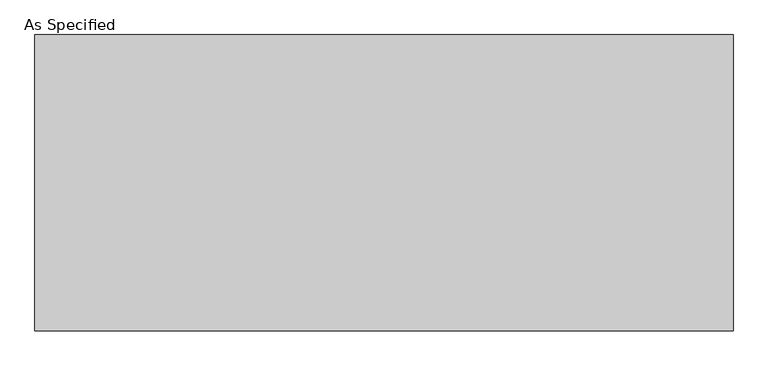
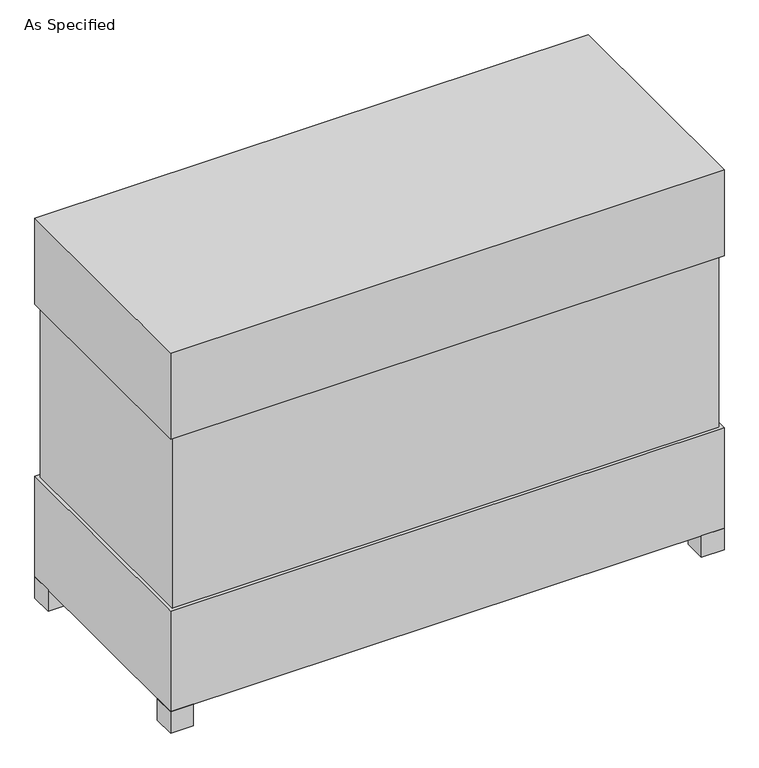
"""IFC4 building model written with IfcOpenShell, lengths in millimetres: proxy geometry, As Specified."""

import ifcopenshell
import ifcopenshell.guid

model = None  # the IFC model being written
_history = None  # IfcOwnerHistory: only IFC2X3 demands one
_inside = {}  # id of a spatial element -> (the spatial element, [elements in it])
_under = {}  # id of a project, library or spatial element -> (it, [spatial elements below it])
_declared = {}  # id of a project -> (the project, [libraries it declares])
_typed = {}  # id of a type object -> (the type object, [elements of that type])
_made_of = {}  # id of a material, layer set ... -> (it, [elements and type objects made of it])


def new_model(schema):
    """Start an empty IFC model of exactly this schema.

    Asked for "IFC4X3", IfcOpenShell would pick the latest addendum, in which some entities
    have other attributes; the version numbers below select the first issue.
    IFC2X3 requires an IfcOwnerHistory on every rooted entity: one is made here for all.
    """
    global model, _history
    if schema == "IFC4X3":
        model = ifcopenshell.file(schema_version=(4, 3, 0, 0))
    else:
        model = ifcopenshell.file(schema=schema)
    _inside.clear()
    _under.clear()
    _declared.clear()
    _typed.clear()
    _made_of.clear()
    _history = None
    if model.schema == "IFC2X3":
        org = make("IfcOrganization", Name="unknown")
        user = make(
            "IfcPersonAndOrganization",
            ThePerson=make("IfcPerson", FamilyName="unknown"),
            TheOrganization=org,
        )
        app = make(
            "IfcApplication",
            ApplicationDeveloper=org,
            Version="unknown",
            ApplicationFullName="unknown",
            ApplicationIdentifier="unknown",
        )
        _history = make(
            "IfcOwnerHistory",
            OwningUser=user,
            OwningApplication=app,
            ChangeAction="ADDED",
            CreationDate=0,
        )
    return model


def make(cls, **values):
    """One entity of the class cls with the attributes given. An attribute that is None is left unset."""
    return model.create_entity(
        cls, **{name: value for name, value in values.items() if value is not None}
    )


def rooted(cls, **values):
    """An entity with a GlobalId (a new one), such as an element, a storey or a relation."""
    return make(cls, GlobalId=ifcopenshell.guid.new(), OwnerHistory=_history, **values)


def si_unit(unit_type, name, prefix=None):
    """IfcSIUnit, for example si_unit("LENGTHUNIT", "METRE", prefix="MILLI")."""
    return make("IfcSIUnit", UnitType=unit_type, Prefix=prefix, Name=name)


def assignment(units):
    """IfcUnitAssignment: the units of a project."""
    return None if units is None else make("IfcUnitAssignment", Units=units)


def point(xyz):
    """IfcCartesianPoint."""
    return None if xyz is None else make("IfcCartesianPoint", Coordinates=xyz)


def direction(xyz):
    """IfcDirection."""
    return None if xyz is None else make("IfcDirection", DirectionRatios=xyz)


def frame(location, z_axis=None, x_axis=None):
    """IfcAxis2Placement3D, a coordinate frame: its origin and axes. An axis left out is left unset."""
    return make(
        "IfcAxis2Placement3D",
        Location=point(location),
        Axis=direction(z_axis),
        RefDirection=direction(x_axis),
    )


def origin():
    """The frame at (0, 0, 0) with its axes left unset."""
    return frame((0.0, 0.0, 0.0))


def origin_with_axes():
    """The frame at (0, 0, 0) with the z axis (0, 0, 1) and the x axis (1, 0, 0) written out."""
    return frame((0.0, 0.0, 0.0), z_axis=(0.0, 0.0, 1.0), x_axis=(1.0, 0.0, 0.0))


def place(relative_to, where):
    """IfcLocalPlacement: puts the frame where relative to a parent placement (None: the world)."""
    return make(
        "IfcLocalPlacement", PlacementRelTo=relative_to, RelativePlacement=where
    )


def context(
    kind, dimensions, precision=None, world=None, true_north=None, identifier=None
):
    """IfcGeometricRepresentationContext, for example the 3D "Model" context."""
    return make(
        "IfcGeometricRepresentationContext",
        ContextIdentifier=identifier,
        ContextType=kind,
        CoordinateSpaceDimension=dimensions,
        Precision=precision,
        WorldCoordinateSystem=world,
        TrueNorth=true_north,
    )


def project(units=None, contexts=None):
    """IfcProject with its units and contexts."""
    return rooted(
        "IfcProject",
        Name="project",
        RepresentationContexts=contexts,
        UnitsInContext=assignment(units),
    )


def spatial(cls, under=None, at=None, **own):
    """A site, building, storey or space (cls), placed at a placement, below another one or the project."""
    s = rooted(cls, ObjectPlacement=at, **own)
    if under is not None:
        _under.setdefault(under.id(), (under, []))[1].append(s)
    return s


def polyline(points):
    """IfcPolyline through the points."""
    return make("IfcPolyline", Points=[point(p) for p in points])


def outline(outer, holes=None, kind="AREA"):
    """IfcArbitraryClosedProfileDef: a profile drawn as a closed curve; with holes, ...WithVoids."""
    if holes is None:
        return make("IfcArbitraryClosedProfileDef", ProfileType=kind, OuterCurve=outer)
    return make(
        "IfcArbitraryProfileDefWithVoids",
        ProfileType=kind,
        OuterCurve=outer,
        InnerCurves=holes,
    )


def extrude(swept, where, along, depth):
    """IfcExtrudedAreaSolid: the profile swept, set in the frame where, extruded along a direction by depth."""
    return make(
        "IfcExtrudedAreaSolid",
        SweptArea=swept,
        Position=where,
        ExtrudedDirection=direction(along),
        Depth=depth,
    )


def shape(context_of_items, identifier, shape_type, items):
    """IfcShapeRepresentation: the items that make up one representation, for example the "Body"."""
    return make(
        "IfcShapeRepresentation",
        ContextOfItems=context_of_items,
        RepresentationIdentifier=identifier,
        RepresentationType=shape_type,
        Items=items,
    )


def source(mapping_origin, context_of_items, identifier, shape_type, items):
    """IfcRepresentationMap: a shape defined once, which mapped items show again and again."""
    return make(
        "IfcRepresentationMap",
        MappingOrigin=mapping_origin,
        MappedRepresentation=shape(context_of_items, identifier, shape_type, items),
    )


def transform(
    local_origin,
    x_axis=None,
    y_axis=None,
    z_axis=None,
    scale=None,
    scale2=None,
    scale3=None,
    uniform=True,
):
    """IfcCartesianTransformationOperator3D, or its non-uniform kind. x_axis, y_axis, z_axis: its Axis1, 2, 3."""
    if uniform:
        return make(
            "IfcCartesianTransformationOperator3D",
            Axis1=direction(x_axis),
            Axis2=direction(y_axis),
            LocalOrigin=point(local_origin),
            Scale=scale,
            Axis3=direction(z_axis),
        )
    return make(
        "IfcCartesianTransformationOperator3DnonUniform",
        Axis1=direction(x_axis),
        Axis2=direction(y_axis),
        LocalOrigin=point(local_origin),
        Scale=scale,
        Axis3=direction(z_axis),
        Scale2=scale2,
        Scale3=scale3,
    )


def mapped(mapping_source, mapping_target):
    """IfcMappedItem: shows the shape of a source again, moved by a transform."""
    return make(
        "IfcMappedItem", MappingSource=mapping_source, MappingTarget=mapping_target
    )


def made_of(thing, what):
    """Note that an element or type object is made of a material, layer set ...; save() writes the relation."""
    if what is not None:
        _made_of.setdefault(what.id(), (what, []))[1].append(thing)
    return thing


def element(
    cls,
    number,
    at=None,
    inside=None,
    cuts=None,
    type_object=None,
    material=None,
    context=None,
    identifier="Body",
    shape_type=None,
    held_by="IfcProductDefinitionShape",
    body=None,
    shapes=None,
    **own,
):
    """One element of the class cls, such as IfcWall. Its Tag is "e" and its number.

    at: its placement. inside: the storey or other place that contains it. cuts: it is an
    opening in that element (IfcRelVoidsElement). A single representation is given by context,
    identifier, shape_type and body (its items); several are given by shapes. held_by: the class
    of the entity that holds the representations. save() writes the other relations.
    """
    e = rooted(cls, Tag="e%d" % number, ObjectPlacement=at, **own)
    if body is not None:
        shapes = [shape(context, identifier, shape_type, body)]
    if shapes is not None:
        e.Representation = make(held_by, Representations=shapes)
    if inside is not None:
        _inside.setdefault(inside.id(), (inside, []))[1].append(e)
    if cuts is not None:
        rooted(
            "IfcRelVoidsElement", RelatingBuildingElement=cuts, RelatedOpeningElement=e
        )
    if type_object is not None:
        _typed.setdefault(type_object.id(), (type_object, []))[1].append(e)
    return made_of(e, material)


def aggregate(whole, parts):
    """IfcRelAggregates: a whole, such as a stair, and the parts it consists of."""
    return rooted("IfcRelAggregates", RelatingObject=whole, RelatedObjects=parts)


def save(model, path):
    """Write the relations noted so far, then the file.

    IfcRelAggregates (storeys below a building ...), IfcRelContainedInSpatialStructure (elements
    in a storey), IfcRelDefinesByType, IfcRelAssociatesMaterial and IfcRelDeclares: one each for
    every whole, place, type object, material and project.
    """
    for whole, parts in _under.values():
        aggregate(whole, parts)
    for where, things in _inside.values():
        rooted(
            "IfcRelContainedInSpatialStructure",
            RelatedElements=things,
            RelatingStructure=where,
        )
    for kind, things in _typed.values():
        rooted("IfcRelDefinesByType", RelatedObjects=things, RelatingType=kind)
    for what, things in _made_of.values():
        rooted("IfcRelAssociatesMaterial", RelatedObjects=things, RelatingMaterial=what)
    for by, libraries in _declared.values():
        rooted("IfcRelDeclares", RelatingContext=by, RelatedDefinitions=libraries)
    model.write(path)


def as_specified_0e8a52d9(model_context):
    return source(origin(), model_context, "Body", "SweptSolid", [
        extrude(outline(polyline([(812.8, 228.6), (812.8, 152.4), (736.6, 152.4), (736.6, 228.6), (812.8, 228.6)])), frame((0.0, 0.0, 50.8), z_axis=(0.0, 0.0, 1.0), x_axis=(1.0, 0.0, 0.0)), (0.0, 0.0, 1.0), 25.4),
        extrude(outline(polyline([(812.8, -228.6), (736.6, -228.6), (736.6, -152.4), (812.8, -152.4), (812.8, -228.6)])), frame((0.0, 0.0, 50.8), z_axis=(0.0, 0.0, 1.0), x_axis=(1.0, 0.0, 0.0)), (0.0, 0.0, 1.0), 25.4),
        extrude(outline(polyline([(915.9875, 382.5875), (915.9875, -382.5875), (-915.9875, -382.5875), (-915.9875, 382.5875), (915.9875, 382.5875)])), frame((0.0, 0.0, 431.8), z_axis=(0.0, 0.0, 1.0), x_axis=(1.0, 0.0, 0.0)), (0.0, 0.0, 1.0), 609.6),
        extrude(outline(polyline([(927.1, 393.7), (927.1, -393.7), (-927.1, -393.7), (-927.1, 393.7), (927.1, 393.7)])), frame((0.0, 0.0, 1041.4), z_axis=(0.0, 0.0, 1.0), x_axis=(1.0, 0.0, 0.0)), (0.0, 0.0, 1.0), 304.8),
        extrude(outline(polyline([(-850.9, 393.7), (-850.9, 317.5), (-927.1, 317.5), (-927.1, 393.7), (-850.9, 393.7)])), origin_with_axes(), (0.0, 0.0, 1.0), 76.2),
        extrude(outline(polyline([(927.1, 393.7), (927.1, 317.5), (850.9, 317.5), (850.9, 393.7), (927.1, 393.7)])), origin_with_axes(), (0.0, 0.0, 1.0), 76.2),
        extrude(outline(polyline([(927.1, -317.5), (927.1, -393.7), (850.9, -393.7), (850.9, -317.5), (927.1, -317.5)])), origin_with_axes(), (0.0, 0.0, 1.0), 76.2),
        extrude(outline(polyline([(-850.9, -317.5), (-850.9, -393.7), (-927.1, -393.7), (-927.1, -317.5), (-850.9, -317.5)])), origin_with_axes(), (0.0, 0.0, 1.0), 76.2),
        extrude(outline(polyline([(927.1, 393.7), (927.1, -393.7), (-927.1, -393.7), (-927.1, 393.7), (927.1, 393.7)])), frame((0.0, 0.0, 76.2), z_axis=(0.0, 0.0, 1.0), x_axis=(1.0, 0.0, 0.0)), (0.0, 0.0, 1.0), 355.6),
    ])


if __name__ == "__main__":
    model = new_model("IFC4")
    model_context = context("Model", 3, world=origin())
    ifc_project = project(units=[si_unit("LENGTHUNIT", "METRE", prefix="MILLI")], contexts=[model_context])
    site = spatial("IfcSite", under=ifc_project)
    building = spatial("IfcBuilding", under=site)
    placement = place(None, origin())
    as_specified_shape = as_specified_0e8a52d9(model_context)
    element("IfcBuildingElementProxy", 1, Name="As Specified", ObjectType="As Specified", at=placement, inside=building, context=model_context, shape_type="MappedRepresentation", body=[
        mapped(as_specified_shape, transform((0.0, 0.0, 0.0), x_axis=(1.0, 0.0, 0.0), y_axis=(0.0, 1.0, 0.0), z_axis=(0.0, 0.0, 1.0))),
    ])
    save(model, "model.ifc")
